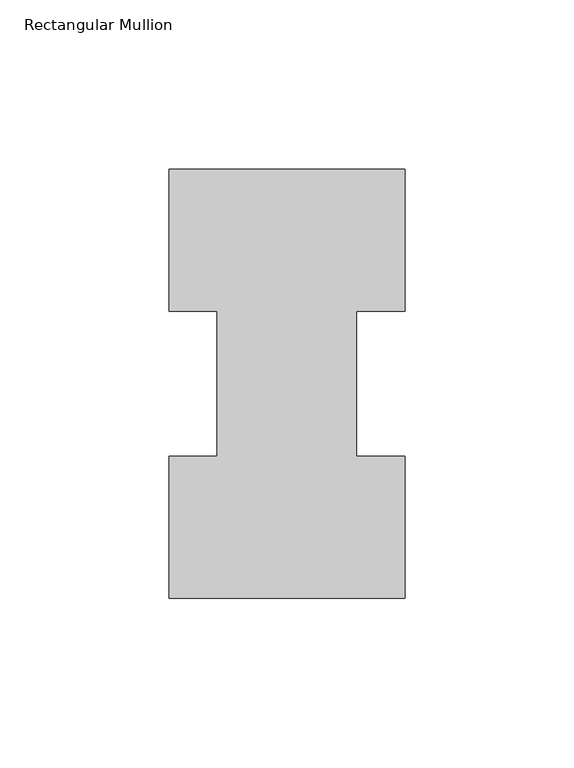
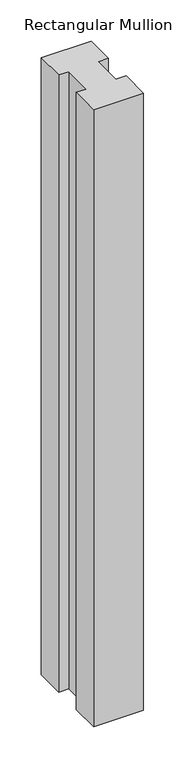
"""IFC4 building model written with IfcOpenShell, lengths in millimetres: member geometry, Rectangular Mullion."""

import ifcopenshell
import ifcopenshell.guid

model = None  # the IFC model being written
_history = None  # IfcOwnerHistory: only IFC2X3 demands one
_inside = {}  # id of a spatial element -> (the spatial element, [elements in it])
_under = {}  # id of a project, library or spatial element -> (it, [spatial elements below it])
_declared = {}  # id of a project -> (the project, [libraries it declares])
_typed = {}  # id of a type object -> (the type object, [elements of that type])
_made_of = {}  # id of a material, layer set ... -> (it, [elements and type objects made of it])


def new_model(schema):
    """Start an empty IFC model of exactly this schema.

    Asked for "IFC4X3", IfcOpenShell would pick the latest addendum, in which some entities
    have other attributes; the version numbers below select the first issue.
    IFC2X3 requires an IfcOwnerHistory on every rooted entity: one is made here for all.
    """
    global model, _history
    if schema == "IFC4X3":
        model = ifcopenshell.file(schema_version=(4, 3, 0, 0))
    else:
        model = ifcopenshell.file(schema=schema)
    _inside.clear()
    _under.clear()
    _declared.clear()
    _typed.clear()
    _made_of.clear()
    _history = None
    if model.schema == "IFC2X3":
        org = make("IfcOrganization", Name="unknown")
        user = make(
            "IfcPersonAndOrganization",
            ThePerson=make("IfcPerson", FamilyName="unknown"),
            TheOrganization=org,
        )
        app = make(
            "IfcApplication",
            ApplicationDeveloper=org,
            Version="unknown",
            ApplicationFullName="unknown",
            ApplicationIdentifier="unknown",
        )
        _history = make(
            "IfcOwnerHistory",
            OwningUser=user,
            OwningApplication=app,
            ChangeAction="ADDED",
            CreationDate=0,
        )
    return model


def make(cls, **values):
    """One entity of the class cls with the attributes given. An attribute that is None is left unset."""
    return model.create_entity(
        cls, **{name: value for name, value in values.items() if value is not None}
    )


def rooted(cls, **values):
    """An entity with a GlobalId (a new one), such as an element, a storey or a relation."""
    return make(cls, GlobalId=ifcopenshell.guid.new(), OwnerHistory=_history, **values)


def si_unit(unit_type, name, prefix=None):
    """IfcSIUnit, for example si_unit("LENGTHUNIT", "METRE", prefix="MILLI")."""
    return make("IfcSIUnit", UnitType=unit_type, Prefix=prefix, Name=name)


def assignment(units):
    """IfcUnitAssignment: the units of a project."""
    return None if units is None else make("IfcUnitAssignment", Units=units)


def point(xyz):
    """IfcCartesianPoint."""
    return None if xyz is None else make("IfcCartesianPoint", Coordinates=xyz)


def direction(xyz):
    """IfcDirection."""
    return None if xyz is None else make("IfcDirection", DirectionRatios=xyz)


def frame(location, z_axis=None, x_axis=None):
    """IfcAxis2Placement3D, a coordinate frame: its origin and axes. An axis left out is left unset."""
    return make(
        "IfcAxis2Placement3D",
        Location=point(location),
        Axis=direction(z_axis),
        RefDirection=direction(x_axis),
    )


def origin():
    """The frame at (0, 0, 0) with its axes left unset."""
    return frame((0.0, 0.0, 0.0))


def place(relative_to, where):
    """IfcLocalPlacement: puts the frame where relative to a parent placement (None: the world)."""
    return make(
        "IfcLocalPlacement", PlacementRelTo=relative_to, RelativePlacement=where
    )


def context(
    kind, dimensions, precision=None, world=None, true_north=None, identifier=None
):
    """IfcGeometricRepresentationContext, for example the 3D "Model" context."""
    return make(
        "IfcGeometricRepresentationContext",
        ContextIdentifier=identifier,
        ContextType=kind,
        CoordinateSpaceDimension=dimensions,
        Precision=precision,
        WorldCoordinateSystem=world,
        TrueNorth=true_north,
    )


def project(units=None, contexts=None):
    """IfcProject with its units and contexts."""
    return rooted(
        "IfcProject",
        Name="project",
        RepresentationContexts=contexts,
        UnitsInContext=assignment(units),
    )


def spatial(cls, under=None, at=None, **own):
    """A site, building, storey or space (cls), placed at a placement, below another one or the project."""
    s = rooted(cls, ObjectPlacement=at, **own)
    if under is not None:
        _under.setdefault(under.id(), (under, []))[1].append(s)
    return s


def polyline(points):
    """IfcPolyline through the points."""
    return make("IfcPolyline", Points=[point(p) for p in points])


def outline(outer, holes=None, kind="AREA"):
    """IfcArbitraryClosedProfileDef: a profile drawn as a closed curve; with holes, ...WithVoids."""
    if holes is None:
        return make("IfcArbitraryClosedProfileDef", ProfileType=kind, OuterCurve=outer)
    return make(
        "IfcArbitraryProfileDefWithVoids",
        ProfileType=kind,
        OuterCurve=outer,
        InnerCurves=holes,
    )


def extrude(swept, where, along, depth):
    """IfcExtrudedAreaSolid: the profile swept, set in the frame where, extruded along a direction by depth."""
    return make(
        "IfcExtrudedAreaSolid",
        SweptArea=swept,
        Position=where,
        ExtrudedDirection=direction(along),
        Depth=depth,
    )


def shape(context_of_items, identifier, shape_type, items):
    """IfcShapeRepresentation: the items that make up one representation, for example the "Body"."""
    return make(
        "IfcShapeRepresentation",
        ContextOfItems=context_of_items,
        RepresentationIdentifier=identifier,
        RepresentationType=shape_type,
        Items=items,
    )


def source(mapping_origin, context_of_items, identifier, shape_type, items):
    """IfcRepresentationMap: a shape defined once, which mapped items show again and again."""
    return make(
        "IfcRepresentationMap",
        MappingOrigin=mapping_origin,
        MappedRepresentation=shape(context_of_items, identifier, shape_type, items),
    )


def transform(
    local_origin,
    x_axis=None,
    y_axis=None,
    z_axis=None,
    scale=None,
    scale2=None,
    scale3=None,
    uniform=True,
):
    """IfcCartesianTransformationOperator3D, or its non-uniform kind. x_axis, y_axis, z_axis: its Axis1, 2, 3."""
    if uniform:
        return make(
            "IfcCartesianTransformationOperator3D",
            Axis1=direction(x_axis),
            Axis2=direction(y_axis),
            LocalOrigin=point(local_origin),
            Scale=scale,
            Axis3=direction(z_axis),
        )
    return make(
        "IfcCartesianTransformationOperator3DnonUniform",
        Axis1=direction(x_axis),
        Axis2=direction(y_axis),
        LocalOrigin=point(local_origin),
        Scale=scale,
        Axis3=direction(z_axis),
        Scale2=scale2,
        Scale3=scale3,
    )


def mapped(mapping_source, mapping_target):
    """IfcMappedItem: shows the shape of a source again, moved by a transform."""
    return make(
        "IfcMappedItem", MappingSource=mapping_source, MappingTarget=mapping_target
    )


def made_of(thing, what):
    """Note that an element or type object is made of a material, layer set ...; save() writes the relation."""
    if what is not None:
        _made_of.setdefault(what.id(), (what, []))[1].append(thing)
    return thing


def element(
    cls,
    number,
    at=None,
    inside=None,
    cuts=None,
    type_object=None,
    material=None,
    context=None,
    identifier="Body",
    shape_type=None,
    held_by="IfcProductDefinitionShape",
    body=None,
    shapes=None,
    **own,
):
    """One element of the class cls, such as IfcWall. Its Tag is "e" and its number.

    at: its placement. inside: the storey or other place that contains it. cuts: it is an
    opening in that element (IfcRelVoidsElement). A single representation is given by context,
    identifier, shape_type and body (its items); several are given by shapes. held_by: the class
    of the entity that holds the representations. save() writes the other relations.
    """
    e = rooted(cls, Tag="e%d" % number, ObjectPlacement=at, **own)
    if body is not None:
        shapes = [shape(context, identifier, shape_type, body)]
    if shapes is not None:
        e.Representation = make(held_by, Representations=shapes)
    if inside is not None:
        _inside.setdefault(inside.id(), (inside, []))[1].append(e)
    if cuts is not None:
        rooted(
            "IfcRelVoidsElement", RelatingBuildingElement=cuts, RelatedOpeningElement=e
        )
    if type_object is not None:
        _typed.setdefault(type_object.id(), (type_object, []))[1].append(e)
    return made_of(e, material)


def aggregate(whole, parts):
    """IfcRelAggregates: a whole, such as a stair, and the parts it consists of."""
    return rooted("IfcRelAggregates", RelatingObject=whole, RelatedObjects=parts)


def save(model, path):
    """Write the relations noted so far, then the file.

    IfcRelAggregates (storeys below a building ...), IfcRelContainedInSpatialStructure (elements
    in a storey), IfcRelDefinesByType, IfcRelAssociatesMaterial and IfcRelDeclares: one each for
    every whole, place, type object, material and project.
    """
    for whole, parts in _under.values():
        aggregate(whole, parts)
    for where, things in _inside.values():
        rooted(
            "IfcRelContainedInSpatialStructure",
            RelatedElements=things,
            RelatingStructure=where,
        )
    for kind, things in _typed.values():
        rooted("IfcRelDefinesByType", RelatedObjects=things, RelatingType=kind)
    for what, things in _made_of.values():
        rooted("IfcRelAssociatesMaterial", RelatedObjects=things, RelatingMaterial=what)
    for by, libraries in _declared.values():
        rooted("IfcRelDeclares", RelatingContext=by, RelatedDefinitions=libraries)
    model.write(path)


def rectangular_mullion_038beae2(model_context):
    return source(origin(), model_context, "Body", "SweptSolid", [
        extrude(outline(polyline([(-34.925, 126.7086938), (34.925, 126.7086938), (34.925, 84.6335938), (20.6375, 84.6335938), (20.6375, 41.7837937), (34.925, 41.7837937), (34.925, -0.2913062), (-34.925, -0.2913062), (-34.925, 41.7837937), (-20.6375, 41.7837937), (-20.6375, 84.6335938), (-34.925, 84.6335938), (-34.925, 126.7086938)])), frame((0.0, 0.0, -914.4), z_axis=(0.0, 0.0, 1.0), x_axis=(1.0, 0.0, 0.0)), (0.0, 0.0, 1.0), 914.4),
    ])


if __name__ == "__main__":
    model = new_model("IFC4")
    model_context = context("Model", 3, world=origin())
    ifc_project = project(units=[si_unit("LENGTHUNIT", "METRE", prefix="MILLI")], contexts=[model_context])
    site = spatial("IfcSite", under=ifc_project)
    building = spatial("IfcBuilding", under=site)
    placement = place(None, origin())
    rectangular_mullion_shape = rectangular_mullion_038beae2(model_context)
    element("IfcMember", 1, ObjectType="Rectangular Mullion", at=placement, inside=building, context=model_context, shape_type="MappedRepresentation", body=[
        mapped(rectangular_mullion_shape, transform((0.0, 0.0, 0.0), x_axis=(1.0, 0.0, 0.0), y_axis=(0.0, 1.0, 0.0), z_axis=(0.0, 0.0, 1.0))),
    ])
    save(model, "model.ifc")
